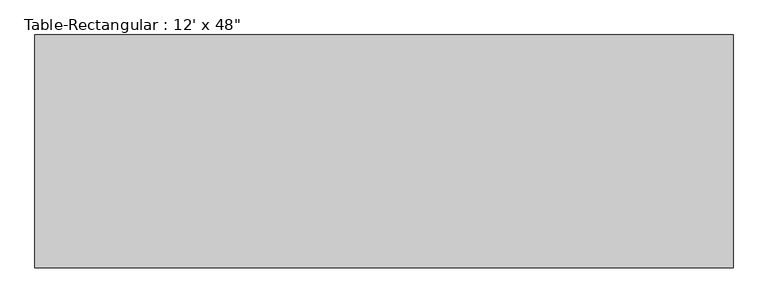
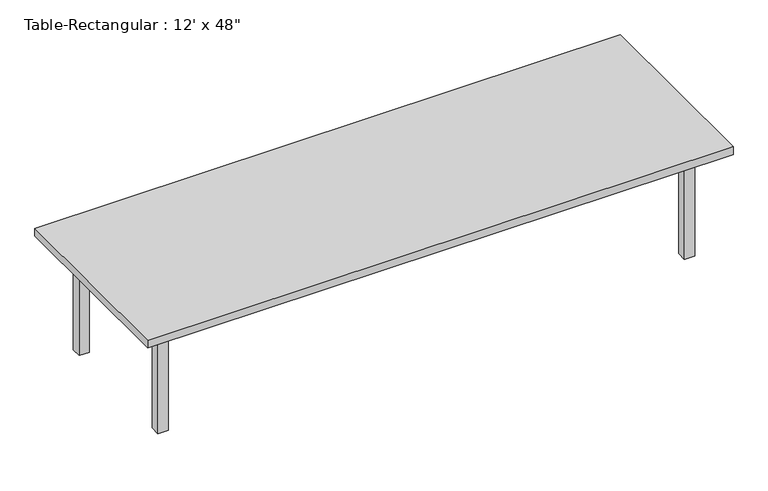
"""IFC4 building model written with IfcOpenShell, lengths in millimetres: furniture geometry."""

from ifc_helpers import new_model, si_unit, frame, origin, origin_with_axes, place, context, project, spatial, polyline, outline, extrude, source, transform, mapped, element, save


def furniture_4f390590(model_context):
    return source(origin(), model_context, "Body", "SweptSolid", [
        extrude(outline(polyline([(1612.9, 419.1), (1612.9, 393.7), (-1612.9, 393.7), (-1612.9, 419.1), (1612.9, 419.1)])), frame((0.0, 0.0, 609.6), z_axis=(0.0, 0.0, 1.0), x_axis=(1.0, 0.0, 0.0)), (0.0, 0.0, 1.0), 101.6),
        extrude(outline(polyline([(1612.9, -419.1), (-1612.9, -419.1), (-1612.9, -393.7), (1612.9, -393.7), (1612.9, -419.1)])), frame((0.0, 0.0, 609.6), z_axis=(0.0, 0.0, 1.0), x_axis=(1.0, 0.0, 0.0)), (0.0, 0.0, 1.0), 101.6),
        extrude(outline(polyline([(-1625.6, -393.7), (-1651.0, -393.7), (-1651.0, 393.7), (-1625.6, 393.7), (-1625.6, -393.7)])), frame((0.0, 0.0, 609.6), z_axis=(0.0, 0.0, 1.0), x_axis=(1.0, 0.0, 0.0)), (0.0, 0.0, 1.0), 101.6),
        extrude(outline(polyline([(1625.6, -393.7), (1625.6, 393.7), (1651.0, 393.7), (1651.0, -393.7), (1625.6, -393.7)])), frame((0.0, 0.0, 609.6), z_axis=(0.0, 0.0, 1.0), x_axis=(1.0, 0.0, 0.0)), (0.0, 0.0, 1.0), 101.6),
        extrude(outline(polyline([(1828.8, 609.6), (1828.8, -609.6), (-1828.8, -609.6), (-1828.8, 609.6), (1828.8, 609.6)])), frame((0.0, 0.0, 711.2), z_axis=(0.0, 0.0, 1.0), x_axis=(1.0, 0.0, 0.0)), (0.0, 0.0, 1.0), 50.8),
        extrude(outline(polyline([(-1612.9, 457.2), (-1612.9, 393.7), (-1676.4, 393.7), (-1676.4, 457.2), (-1612.9, 457.2)])), origin_with_axes(), (0.0, 0.0, 1.0), 711.2),
        extrude(outline(polyline([(1612.9, 457.2), (1676.4, 457.2), (1676.4, 393.7), (1612.9, 393.7), (1612.9, 457.2)])), origin_with_axes(), (0.0, 0.0, 1.0), 711.2),
        extrude(outline(polyline([(-1612.9, -457.2), (-1676.4, -457.2), (-1676.4, -393.7), (-1612.9, -393.7), (-1612.9, -457.2)])), origin_with_axes(), (0.0, 0.0, 1.0), 711.2),
        extrude(outline(polyline([(1612.9, -457.2), (1612.9, -393.7), (1676.4, -393.7), (1676.4, -457.2), (1612.9, -457.2)])), origin_with_axes(), (0.0, 0.0, 1.0), 711.2),
    ])


if __name__ == "__main__":
    model = new_model("IFC4")
    model_context = context("Model", 3, world=origin())
    ifc_project = project(units=[si_unit("LENGTHUNIT", "METRE", prefix="MILLI")], contexts=[model_context])
    site = spatial("IfcSite", under=ifc_project)
    building = spatial("IfcBuilding", under=site)
    placement = place(None, origin())
    furniture_shape = furniture_4f390590(model_context)
    element("IfcFurniture", 1, ObjectType="Table-Rectangular : 12' x 48\"", at=placement, inside=building, context=model_context, shape_type="MappedRepresentation", body=[
        mapped(furniture_shape, transform((0.0, 0.0, 0.0), x_axis=(1.0, 0.0, 0.0), y_axis=(0.0, 1.0, 0.0), z_axis=(0.0, 0.0, 1.0))),
    ])
    save(model, "model.ifc")
